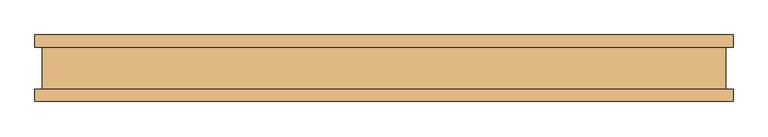
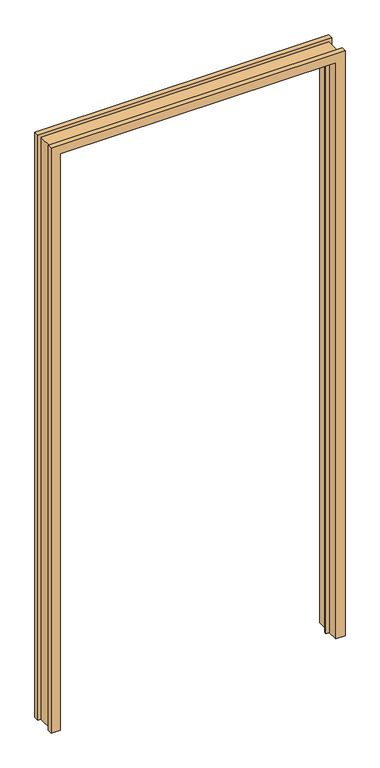
"""IFC4 building model written with IfcOpenShell, lengths in millimetres: door geometry."""

from ifc_helpers import new_model, si_unit, origin, place, context, project, spatial, faceted_brep, source, transform, mapped, element, save


def door_4dac8190(model_context):
    return source(origin(), model_context, "Body", "Brep", [
        faceted_brep([(-525.3482, 31.447233, 0.0), (-525.3482, 49.989233, 0.0), (-492.3282, 49.989233, 0.0), (-492.3282, -2.6789063, 0.0), (-479.3742, -2.6789063, 0.0), (-479.3742, -10.907167, 0.0), (-492.3282, -10.907167, 0.0), (-492.3282, -50.010667, 0.0), (-525.3482, -50.010667, 0.0), (-525.3482, -31.468567, 0.0), (-514.35, -31.468567, 0.0), (-514.35, 31.447233, 0.0), (-525.3482, 31.447233, 2209.7925997), (-525.3482, 49.989233, 2209.7925997), (525.3482, 49.989233, 2209.7925997), (525.3482, 49.989233, 0.0), (492.3282, 49.989233, 0.0), (492.3282, 49.989233, 2176.7725997), (-492.3282, 49.989233, 2176.7725997), (-492.3282, -2.6789063, 2176.7725997), (492.3282, -2.6789063, 2176.7725997), (492.3282, -2.6789063, 0.0), (479.3742, -2.6789063, 0.0), (479.3742, -2.6789063, 2163.8185997), (-479.3742, -2.6789063, 2163.8185997), (-479.3742, -10.907167, 2163.8185997), (479.3742, -10.907167, 2163.8185997), (479.3742, -10.907167, 0.0), (492.3282, -10.907167, 0.0), (492.3282, -10.907167, 2176.7725997), (-492.3282, -10.907167, 2176.7725997), (-492.3282, -50.010667, 2176.7725997), (492.3282, -50.010667, 2176.7725997), (492.3282, -50.010667, 0.0), (525.3482, -50.010667, 0.0), (525.3482, -50.010667, 2209.7925997), (-525.3482, -50.010667, 2209.7925997), (-525.3482, -31.468567, 2209.7925997), (525.3482, -31.468567, 2209.7925997), (525.3482, -31.468567, 0.0), (514.35, -31.468567, 0.0), (514.35, -31.468567, 2198.7943997), (-514.35, -31.468567, 2198.7943997), (-514.35, 31.447233, 2198.7943997), (514.35, 31.447233, 2198.7943997), (514.35, 31.447233, 0.0), (525.3482, 31.447233, 0.0), (525.3482, 31.447233, 2209.7925997)], [[[0, 1, 2, 3, 4, 5, 6, 7, 8, 9, 10, 11]], [[1, 0, 12, 13]], [[2, 1, 13, 14, 15, 16, 17, 18]], [[3, 2, 18, 19]], [[4, 3, 19, 20, 21, 22, 23, 24]], [[5, 4, 24, 25]], [[6, 5, 25, 26, 27, 28, 29, 30]], [[7, 6, 30, 31]], [[8, 7, 31, 32, 33, 34, 35, 36]], [[9, 8, 36, 37]], [[10, 9, 37, 38, 39, 40, 41, 42]], [[11, 10, 42, 43]], [[0, 11, 43, 44, 45, 46, 47, 12]], [[32, 29, 28, 33]], [[46, 45, 40, 39, 34, 33, 28, 27, 22, 21, 16, 15]], [[44, 41, 40, 45]], [[26, 23, 22, 27]], [[20, 17, 16, 21]], [[14, 47, 46, 15]], [[38, 35, 34, 39]], [[31, 30, 29, 32]], [[43, 42, 41, 44]], [[25, 24, 23, 26]], [[19, 18, 17, 20]], [[13, 12, 47, 14]], [[37, 36, 35, 38]]]),
    ])


if __name__ == "__main__":
    model = new_model("IFC4")
    model_context = context("Model", 3, world=origin())
    ifc_project = project(units=[si_unit("LENGTHUNIT", "METRE", prefix="MILLI")], contexts=[model_context])
    site = spatial("IfcSite", under=ifc_project)
    building = spatial("IfcBuilding", under=site)
    placement = place(None, origin())
    door_shape = door_4dac8190(model_context)
    element("IfcDoor", 1, at=placement, inside=building, context=model_context, shape_type="MappedRepresentation", body=[
        mapped(door_shape, transform((0.0, 0.0, 0.0), x_axis=(1.0, 0.0, 0.0), y_axis=(0.0, 1.0, 0.0), z_axis=(0.0, 0.0, 1.0))),
    ])
    save(model, "model.ifc")
